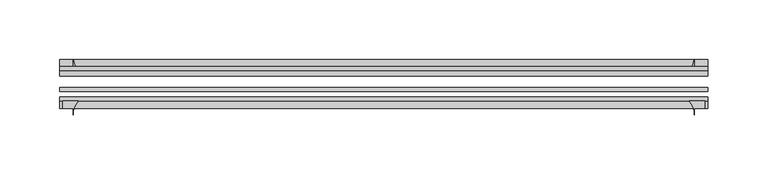
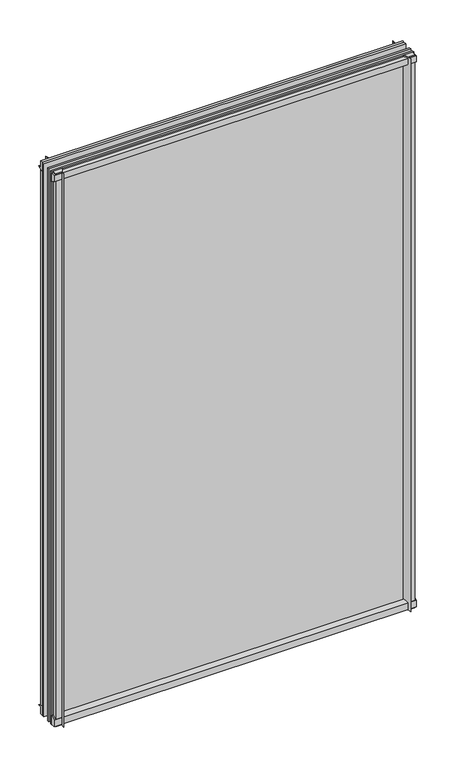
"""IFC4 building model written with IfcOpenShell, lengths in millimetres: plate geometry."""

import ifcopenshell
import ifcopenshell.guid

model = None  # the IFC model being written
_history = None  # IfcOwnerHistory: only IFC2X3 demands one
_inside = {}  # id of a spatial element -> (the spatial element, [elements in it])
_under = {}  # id of a project, library or spatial element -> (it, [spatial elements below it])
_declared = {}  # id of a project -> (the project, [libraries it declares])
_typed = {}  # id of a type object -> (the type object, [elements of that type])
_made_of = {}  # id of a material, layer set ... -> (it, [elements and type objects made of it])


def new_model(schema):
    """Start an empty IFC model of exactly this schema.

    Asked for "IFC4X3", IfcOpenShell would pick the latest addendum, in which some entities
    have other attributes; the version numbers below select the first issue.
    IFC2X3 requires an IfcOwnerHistory on every rooted entity: one is made here for all.
    """
    global model, _history
    if schema == "IFC4X3":
        model = ifcopenshell.file(schema_version=(4, 3, 0, 0))
    else:
        model = ifcopenshell.file(schema=schema)
    _inside.clear()
    _under.clear()
    _declared.clear()
    _typed.clear()
    _made_of.clear()
    _history = None
    if model.schema == "IFC2X3":
        org = make("IfcOrganization", Name="unknown")
        user = make(
            "IfcPersonAndOrganization",
            ThePerson=make("IfcPerson", FamilyName="unknown"),
            TheOrganization=org,
        )
        app = make(
            "IfcApplication",
            ApplicationDeveloper=org,
            Version="unknown",
            ApplicationFullName="unknown",
            ApplicationIdentifier="unknown",
        )
        _history = make(
            "IfcOwnerHistory",
            OwningUser=user,
            OwningApplication=app,
            ChangeAction="ADDED",
            CreationDate=0,
        )
    return model


def make(cls, **values):
    """One entity of the class cls with the attributes given. An attribute that is None is left unset."""
    return model.create_entity(
        cls, **{name: value for name, value in values.items() if value is not None}
    )


def rooted(cls, **values):
    """An entity with a GlobalId (a new one), such as an element, a storey or a relation."""
    return make(cls, GlobalId=ifcopenshell.guid.new(), OwnerHistory=_history, **values)


def si_unit(unit_type, name, prefix=None):
    """IfcSIUnit, for example si_unit("LENGTHUNIT", "METRE", prefix="MILLI")."""
    return make("IfcSIUnit", UnitType=unit_type, Prefix=prefix, Name=name)


def assignment(units):
    """IfcUnitAssignment: the units of a project."""
    return None if units is None else make("IfcUnitAssignment", Units=units)


def point(xyz):
    """IfcCartesianPoint."""
    return None if xyz is None else make("IfcCartesianPoint", Coordinates=xyz)


def direction(xyz):
    """IfcDirection."""
    return None if xyz is None else make("IfcDirection", DirectionRatios=xyz)


def frame(location, z_axis=None, x_axis=None):
    """IfcAxis2Placement3D, a coordinate frame: its origin and axes. An axis left out is left unset."""
    return make(
        "IfcAxis2Placement3D",
        Location=point(location),
        Axis=direction(z_axis),
        RefDirection=direction(x_axis),
    )


def frame_2d(location, x_axis=None):
    """IfcAxis2Placement2D, a coordinate frame in the plane: its origin and x axis."""
    return make(
        "IfcAxis2Placement2D", Location=point(location), RefDirection=direction(x_axis)
    )


def origin():
    """The frame at (0, 0, 0) with its axes left unset."""
    return frame((0.0, 0.0, 0.0))


def place(relative_to, where):
    """IfcLocalPlacement: puts the frame where relative to a parent placement (None: the world)."""
    return make(
        "IfcLocalPlacement", PlacementRelTo=relative_to, RelativePlacement=where
    )


def context(
    kind, dimensions, precision=None, world=None, true_north=None, identifier=None
):
    """IfcGeometricRepresentationContext, for example the 3D "Model" context."""
    return make(
        "IfcGeometricRepresentationContext",
        ContextIdentifier=identifier,
        ContextType=kind,
        CoordinateSpaceDimension=dimensions,
        Precision=precision,
        WorldCoordinateSystem=world,
        TrueNorth=true_north,
    )


def project(units=None, contexts=None):
    """IfcProject with its units and contexts."""
    return rooted(
        "IfcProject",
        Name="project",
        RepresentationContexts=contexts,
        UnitsInContext=assignment(units),
    )


def spatial(cls, under=None, at=None, **own):
    """A site, building, storey or space (cls), placed at a placement, below another one or the project."""
    s = rooted(cls, ObjectPlacement=at, **own)
    if under is not None:
        _under.setdefault(under.id(), (under, []))[1].append(s)
    return s


def polyline(points):
    """IfcPolyline through the points."""
    return make("IfcPolyline", Points=[point(p) for p in points])


def circle_curve(where, radius):
    """IfcCircle in the frame where."""
    return make("IfcCircle", Position=where, Radius=radius)


def trimmed(basis, trim1, trim2, sense, master):
    """IfcTrimmedCurve: the piece of a basis curve between two trims."""
    return make(
        "IfcTrimmedCurve",
        BasisCurve=basis,
        Trim1=trim1,
        Trim2=trim2,
        SenseAgreement=sense,
        MasterRepresentation=master,
    )


def segment(curve, same_sense, transition):
    """IfcCompositeCurveSegment."""
    return make(
        "IfcCompositeCurveSegment",
        Transition=transition,
        SameSense=same_sense,
        ParentCurve=curve,
    )


def composite_curve(segments, self_intersect=None):
    """IfcCompositeCurve: segments joined end to end."""
    return make("IfcCompositeCurve", Segments=segments, SelfIntersect=self_intersect)


def outline(outer, holes=None, kind="AREA"):
    """IfcArbitraryClosedProfileDef: a profile drawn as a closed curve; with holes, ...WithVoids."""
    if holes is None:
        return make("IfcArbitraryClosedProfileDef", ProfileType=kind, OuterCurve=outer)
    return make(
        "IfcArbitraryProfileDefWithVoids",
        ProfileType=kind,
        OuterCurve=outer,
        InnerCurves=holes,
    )


def extrude(swept, where, along, depth):
    """IfcExtrudedAreaSolid: the profile swept, set in the frame where, extruded along a direction by depth."""
    return make(
        "IfcExtrudedAreaSolid",
        SweptArea=swept,
        Position=where,
        ExtrudedDirection=direction(along),
        Depth=depth,
    )


def shape(context_of_items, identifier, shape_type, items):
    """IfcShapeRepresentation: the items that make up one representation, for example the "Body"."""
    return make(
        "IfcShapeRepresentation",
        ContextOfItems=context_of_items,
        RepresentationIdentifier=identifier,
        RepresentationType=shape_type,
        Items=items,
    )


def source(mapping_origin, context_of_items, identifier, shape_type, items):
    """IfcRepresentationMap: a shape defined once, which mapped items show again and again."""
    return make(
        "IfcRepresentationMap",
        MappingOrigin=mapping_origin,
        MappedRepresentation=shape(context_of_items, identifier, shape_type, items),
    )


def transform(
    local_origin,
    x_axis=None,
    y_axis=None,
    z_axis=None,
    scale=None,
    scale2=None,
    scale3=None,
    uniform=True,
):
    """IfcCartesianTransformationOperator3D, or its non-uniform kind. x_axis, y_axis, z_axis: its Axis1, 2, 3."""
    if uniform:
        return make(
            "IfcCartesianTransformationOperator3D",
            Axis1=direction(x_axis),
            Axis2=direction(y_axis),
            LocalOrigin=point(local_origin),
            Scale=scale,
            Axis3=direction(z_axis),
        )
    return make(
        "IfcCartesianTransformationOperator3DnonUniform",
        Axis1=direction(x_axis),
        Axis2=direction(y_axis),
        LocalOrigin=point(local_origin),
        Scale=scale,
        Axis3=direction(z_axis),
        Scale2=scale2,
        Scale3=scale3,
    )


def mapped(mapping_source, mapping_target):
    """IfcMappedItem: shows the shape of a source again, moved by a transform."""
    return make(
        "IfcMappedItem", MappingSource=mapping_source, MappingTarget=mapping_target
    )


def made_of(thing, what):
    """Note that an element or type object is made of a material, layer set ...; save() writes the relation."""
    if what is not None:
        _made_of.setdefault(what.id(), (what, []))[1].append(thing)
    return thing


def element(
    cls,
    number,
    at=None,
    inside=None,
    cuts=None,
    type_object=None,
    material=None,
    context=None,
    identifier="Body",
    shape_type=None,
    held_by="IfcProductDefinitionShape",
    body=None,
    shapes=None,
    **own,
):
    """One element of the class cls, such as IfcWall. Its Tag is "e" and its number.

    at: its placement. inside: the storey or other place that contains it. cuts: it is an
    opening in that element (IfcRelVoidsElement). A single representation is given by context,
    identifier, shape_type and body (its items); several are given by shapes. held_by: the class
    of the entity that holds the representations. save() writes the other relations.
    """
    e = rooted(cls, Tag="e%d" % number, ObjectPlacement=at, **own)
    if body is not None:
        shapes = [shape(context, identifier, shape_type, body)]
    if shapes is not None:
        e.Representation = make(held_by, Representations=shapes)
    if inside is not None:
        _inside.setdefault(inside.id(), (inside, []))[1].append(e)
    if cuts is not None:
        rooted(
            "IfcRelVoidsElement", RelatingBuildingElement=cuts, RelatedOpeningElement=e
        )
    if type_object is not None:
        _typed.setdefault(type_object.id(), (type_object, []))[1].append(e)
    return made_of(e, material)


def aggregate(whole, parts):
    """IfcRelAggregates: a whole, such as a stair, and the parts it consists of."""
    return rooted("IfcRelAggregates", RelatingObject=whole, RelatedObjects=parts)


def save(model, path):
    """Write the relations noted so far, then the file.

    IfcRelAggregates (storeys below a building ...), IfcRelContainedInSpatialStructure (elements
    in a storey), IfcRelDefinesByType, IfcRelAssociatesMaterial and IfcRelDeclares: one each for
    every whole, place, type object, material and project.
    """
    for whole, parts in _under.values():
        aggregate(whole, parts)
    for where, things in _inside.values():
        rooted(
            "IfcRelContainedInSpatialStructure",
            RelatedElements=things,
            RelatingStructure=where,
        )
    for kind, things in _typed.values():
        rooted("IfcRelDefinesByType", RelatedObjects=things, RelatingType=kind)
    for what, things in _made_of.values():
        rooted("IfcRelAssociatesMaterial", RelatedObjects=things, RelatingMaterial=what)
    for by, libraries in _declared.values():
        rooted("IfcRelDeclares", RelatingContext=by, RelatedDefinitions=libraries)
    model.write(path)


def plate_50f5b781(model_context):
    return source(origin(), model_context, "Body", "SweptSolid", [
        extrude(outline(composite_curve([segment(polyline([(-42.891075, -11.1125), (-42.891075, 3.8539528)]), True, "CONTINUOUS"), segment(trimmed(circle_curve(frame_2d((-26.637892, 29.5913262)), 30.4397495), [point((-42.891075, 3.8539528))], [point((-33.7745413, 0.0))], True, "CARTESIAN"), True, "CONTINUOUS"), segment(polyline([(-33.7745413, 0.0), (-39.690675, 0.0), (-39.690675, -11.1125), (-42.891075, -11.1125)]), True, "CONTINUOUS")], self_intersect=False)), frame((-271.4625, 0.0, 0.0), z_axis=(1.0, 0.0, 0.0), x_axis=(0.0, 1.0, 0.0)), (0.0, 0.0, 1.0), 542.925),
        extrude(outline(composite_curve([segment(trimmed(circle_curve(frame_2d((-80.4922797, 17.8701603)), 18.6769817), [point((-74.641075, 0.1333891))], [point((-68.291075, 3.72943))], True, "CARTESIAN"), True, "CONTINUOUS"), segment(polyline([(-68.291075, 3.72943), (-68.291075, -10.3251), (-74.641075, -10.3251), (-74.641075, 0.1333891)]), True, "CONTINUOUS")], self_intersect=False)), frame((-271.4625, 0.0, 0.0), z_axis=(1.0, 0.0, 0.0), x_axis=(0.0, 1.0, 0.0)), (0.0, 0.0, 1.0), 542.925),
        extrude(outline(composite_curve([segment(polyline([(-42.891075, 850.2083472), (-42.891075, 865.1875), (-39.690675, 865.1875), (-39.690675, 854.075), (-33.721675, 854.075)]), True, "CONTINUOUS"), segment(trimmed(circle_curve(frame_2d((-26.637892, 824.4709738)), 30.4397495), [point((-33.721675, 854.075))], [point((-42.891075, 850.2083472))], True, "CARTESIAN"), True, "CONTINUOUS")], self_intersect=False)), frame((-271.4625, 0.0, 0.0), z_axis=(1.0, 0.0, 0.0), x_axis=(0.0, 1.0, 0.0)), (0.0, 0.0, 1.0), 542.925),
        extrude(outline(composite_curve([segment(polyline([(-68.291075, 862.8126), (-68.291075, 849.53912)]), True, "CONTINUOUS"), segment(trimmed(circle_curve(frame_2d((-80.4922797, 835.3983897)), 18.6769817), [point((-68.291075, 849.53912))], [point((-74.641075, 853.1351609))], True, "CARTESIAN"), True, "CONTINUOUS"), segment(polyline([(-74.641075, 853.1351609), (-74.641075, 862.8126), (-68.291075, 862.8126)]), True, "CONTINUOUS")], self_intersect=False)), frame((-271.4625, 0.0, 0.0), z_axis=(1.0, 0.0, 0.0), x_axis=(0.0, 1.0, 0.0)), (0.0, 0.0, 1.0), 542.925),
        extrude(outline(composite_curve([segment(polyline([(255.81412, -68.291075), (269.0876, -68.291075), (269.0876, -74.641075), (260.35, -74.641075), (260.35, -80.3744844)]), True, "CONTINUOUS"), segment(trimmed(circle_curve(frame_2d((241.6733897, -80.4922797)), 18.6769817), [point((260.35, -80.3744844))], [point((255.81412, -68.291075))], True, "CARTESIAN"), True, "CONTINUOUS")], self_intersect=False)), frame((0.0, 0.0, -11.1125), z_axis=(0.0, 0.0, 1.0), x_axis=(1.0, 0.0, 0.0)), (0.0, 0.0, 1.0), 876.3),
        extrude(outline(composite_curve([segment(trimmed(circle_curve(frame_2d((230.7459738, -26.637892)), 30.4397495), [point((256.4833472, -42.891075))], [point((260.35, -33.721675))], True, "CARTESIAN"), True, "CONTINUOUS"), segment(polyline([(260.35, -33.721675), (260.35, -39.690675), (271.4625, -39.690675), (271.4625, -42.891075), (256.4833472, -42.891075)]), True, "CONTINUOUS")], self_intersect=False)), frame((0.0, 0.0, -11.1125), z_axis=(0.0, 0.0, 1.0), x_axis=(1.0, 0.0, 0.0)), (0.0, 0.0, 1.0), 876.3),
        extrude(outline(composite_curve([segment(trimmed(circle_curve(frame_2d((-241.6733897, -80.4922797)), 18.6769817), [point((-255.81412, -68.291075))], [point((-260.35, -80.3744844))], True, "CARTESIAN"), True, "CONTINUOUS"), segment(polyline([(-260.35, -80.3744844), (-260.35, -74.641075), (-269.0876, -74.641075), (-269.0876, -68.291075), (-255.81412, -68.291075)]), True, "CONTINUOUS")], self_intersect=False)), frame((0.0, 0.0, -11.1125), z_axis=(0.0, 0.0, 1.0), x_axis=(1.0, 0.0, 0.0)), (0.0, 0.0, 1.0), 876.3),
        extrude(outline(composite_curve([segment(polyline([(-256.4833472, -42.891075), (-271.4625, -42.891075), (-271.4625, -39.690675), (-260.35, -39.690675), (-260.35, -33.721675)]), True, "CONTINUOUS"), segment(trimmed(circle_curve(frame_2d((-230.7459738, -26.637892)), 30.4397495), [point((-260.35, -33.721675))], [point((-256.4833472, -42.891075))], True, "CARTESIAN"), True, "CONTINUOUS")], self_intersect=False)), frame((0.0, 0.0, -11.1125), z_axis=(0.0, 0.0, 1.0), x_axis=(1.0, 0.0, 0.0)), (0.0, 0.0, 1.0), 876.3),
        extrude(outline(polyline([(-271.4625, -42.891075), (271.4625, -42.891075), (271.4625, -47.653575), (-271.4625, -47.653575), (-271.4625, -42.891075)])), frame((0.0, 0.0, -11.1125), z_axis=(0.0, 0.0, 1.0), x_axis=(1.0, 0.0, 0.0)), (0.0, 0.0, 1.0), 876.3),
        extrude(outline(polyline([(271.4625, -57.369075), (271.4625, -60.544075), (-271.4625, -60.544075), (-271.4625, -57.369075), (271.4625, -57.369075)])), frame((0.0, 0.0, -11.1125), z_axis=(0.0, 0.0, 1.0), x_axis=(1.0, 0.0, 0.0)), (0.0, 0.0, 1.0), 876.3),
        extrude(outline(polyline([(-271.4625, -65.116075), (271.4625, -65.116075), (271.4625, -68.291075), (-271.4625, -68.291075), (-271.4625, -65.116075)])), frame((0.0, 0.0, -11.1125), z_axis=(0.0, 0.0, 1.0), x_axis=(1.0, 0.0, 0.0)), (0.0, 0.0, 1.0), 876.3),
    ])


if __name__ == "__main__":
    model = new_model("IFC4")
    model_context = context("Model", 3, world=origin())
    ifc_project = project(units=[si_unit("LENGTHUNIT", "METRE", prefix="MILLI")], contexts=[model_context])
    site = spatial("IfcSite", under=ifc_project)
    building = spatial("IfcBuilding", under=site)
    placement = place(None, origin())
    plate_shape = plate_50f5b781(model_context)
    element("IfcPlate", 1, at=placement, inside=building, context=model_context, shape_type="MappedRepresentation", body=[
        mapped(plate_shape, transform((0.0, 0.0, 0.0), x_axis=(1.0, 0.0, 0.0), y_axis=(0.0, 1.0, 0.0), z_axis=(0.0, 0.0, 1.0))),
    ])
    save(model, "model.ifc")
